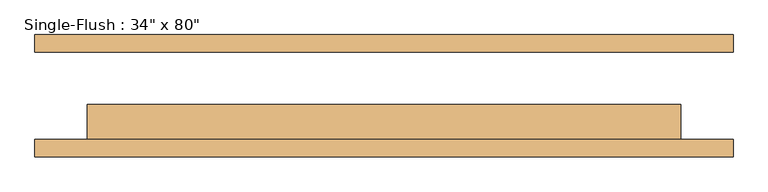
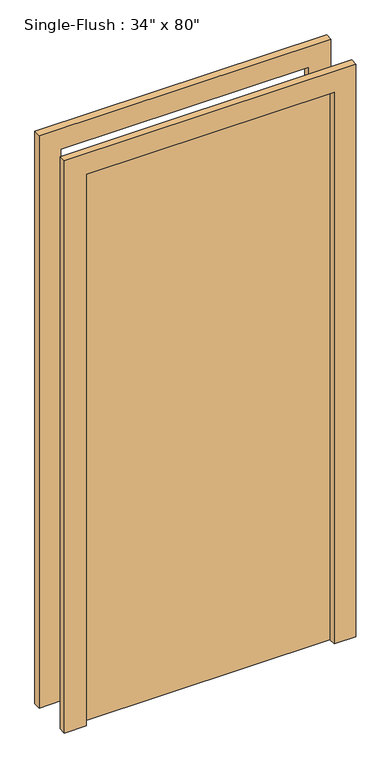
"""IFC4 building model written with IfcOpenShell, lengths in millimetres: door geometry."""

from ifc_helpers import new_model, si_unit, frame, origin, origin_with_axes, place, context, project, spatial, polyline, outline, extrude, source, transform, mapped, element, save


def door_82111de5(model_context):
    return source(origin(), model_context, "Body", "SweptSolid", [
        extrude(outline(polyline([(2108.2, -508.0), (0.0, -508.0), (0.0, -431.8), (2032.0, -431.8), (2032.0, 431.8), (0.0, 431.8), (0.0, 508.0), (2108.2, 508.0), (2108.2, -508.0)])), frame((0.0, -88.9, 0.0), z_axis=(0.0, 1.0, 0.0), x_axis=(0.0, 0.0, 1.0)), (0.0, 0.0, 1.0), 25.4),
        extrude(outline(polyline([(2108.2, 508.0), (2108.2, -508.0), (0.0, -508.0), (0.0, -431.8), (2032.0, -431.8), (2032.0, 431.8), (0.0, 431.8), (0.0, 508.0), (2108.2, 508.0)])), frame((0.0, 63.5, 0.0), z_axis=(0.0, 1.0, 0.0), x_axis=(0.0, 0.0, 1.0)), (0.0, 0.0, 1.0), 25.4),
        extrude(outline(polyline([(431.8, -12.7), (431.8, -63.5), (-431.8, -63.5), (-431.8, -12.7), (431.8, -12.7)])), origin_with_axes(), (0.0, 0.0, 1.0), 2032.0),
    ])


if __name__ == "__main__":
    model = new_model("IFC4")
    model_context = context("Model", 3, world=origin())
    ifc_project = project(units=[si_unit("LENGTHUNIT", "METRE", prefix="MILLI")], contexts=[model_context])
    site = spatial("IfcSite", under=ifc_project)
    building = spatial("IfcBuilding", under=site)
    placement = place(None, origin())
    door_shape = door_82111de5(model_context)
    element("IfcDoor", 1, ObjectType="Single-Flush : 34\" x 80\"", at=placement, inside=building, context=model_context, shape_type="MappedRepresentation", body=[
        mapped(door_shape, transform((0.0, 0.0, 0.0), x_axis=(1.0, 0.0, 0.0), y_axis=(0.0, 1.0, 0.0), z_axis=(0.0, 0.0, 1.0))),
    ])
    save(model, "model.ifc")
